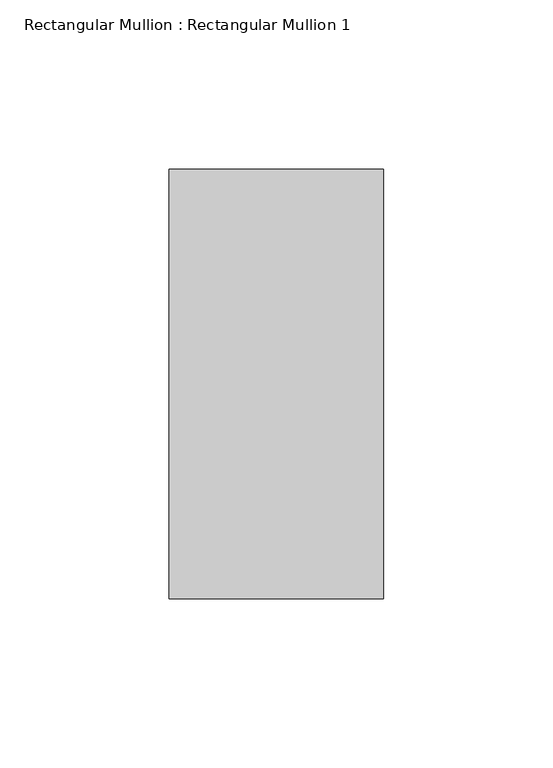
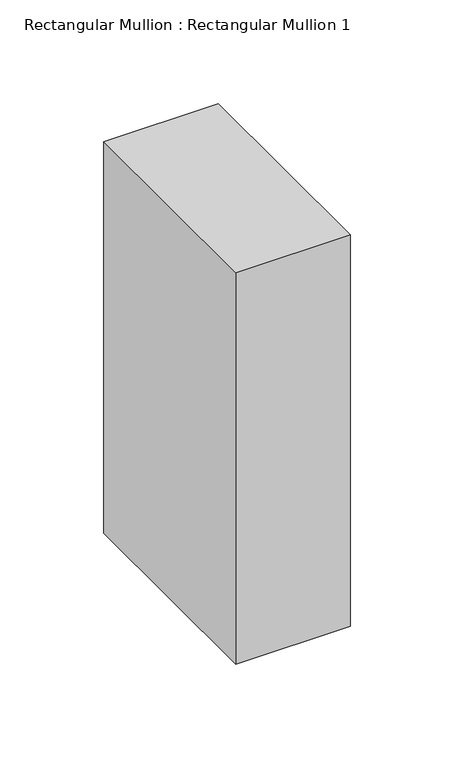
"""IFC4 building model written with IfcOpenShell, lengths in millimetres: member geometry, Rectangular Mullion : Rectangular Mullion 1."""

from ifc_helpers import new_model, si_unit, frame, origin, place, context, project, spatial, polyline, outline, extrude, source, transform, mapped, element, save


def rectangular_mullion_rectangular_mullion_1_d94df714(model_context):
    return source(origin(), model_context, "Body", "SweptSolid", [
        extrude(outline(polyline([(31.75, 63.5), (31.75, -63.5), (-31.75, -63.5), (-31.75, 63.5), (31.75, 63.5)])), frame((0.0, 0.0, -230.0), z_axis=(0.0, 0.0, 1.0), x_axis=(1.0, 0.0, 0.0)), (0.0, 0.0, 1.0), 230.0),
    ])


if __name__ == "__main__":
    model = new_model("IFC4")
    model_context = context("Model", 3, world=origin())
    ifc_project = project(units=[si_unit("LENGTHUNIT", "METRE", prefix="MILLI")], contexts=[model_context])
    site = spatial("IfcSite", under=ifc_project)
    building = spatial("IfcBuilding", under=site)
    placement = place(None, origin())
    rectangular_mullion_rectangular_mullion_1_shape = rectangular_mullion_rectangular_mullion_1_d94df714(model_context)
    element("IfcMember", 1, ObjectType="Rectangular Mullion : Rectangular Mullion 1", at=placement, inside=building, context=model_context, shape_type="MappedRepresentation", body=[
        mapped(rectangular_mullion_rectangular_mullion_1_shape, transform((0.0, 0.0, 0.0), x_axis=(1.0, 0.0, 0.0), y_axis=(0.0, 1.0, 0.0), z_axis=(0.0, 0.0, 1.0))),
    ])
    save(model, "model.ifc")
